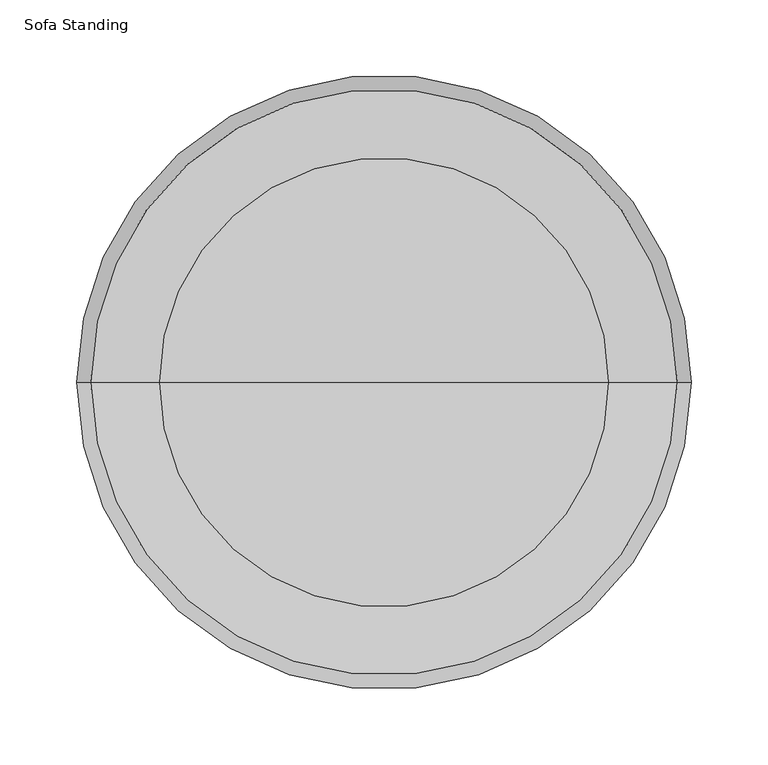
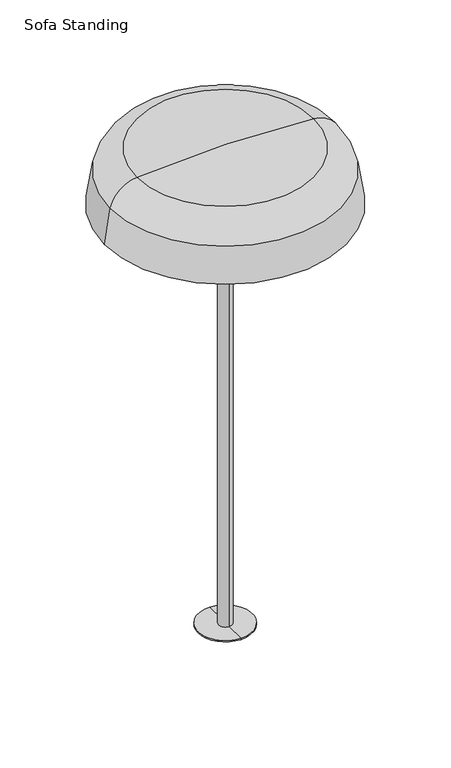
"""IFC4 building model written with IfcOpenShell, lengths in millimetres: light fixture geometry, Sofa Standing."""

from ifc_helpers import new_model, si_unit, point, frame, origin, place, context, project, spatial, polyline, circle_curve, ellipse_curve, trimmed, source, transform, mapped, element, save
from ifc_brep_helpers import plane_surface, cylinder_surface, revolved_surface, advanced_brep


def sofa_standing_c6627a81(model_context):
    return source(origin(), model_context, "Body", "AdvancedBrep", [
        advanced_brep(
        [(199.9486931, 0.0, 949.1970524), (-200.1013069, 0.0, 949.1970524), (-191.022028, 0.0, 1008.9025311), (190.8694141, 0.0, 1008.9025311), (197.3636976, 0.0, 949.1970524), (-197.5163114, 0.0, 949.1970524), (188.3624242, 0.0, 1008.2944283), (-188.515038, 0.0, 1008.2944283), (145.8324053, 0.0, 1044.9529663), (-145.9850191, 0.0, 1044.9529663), (-0.0763069, 0.0, 1051.519392), (146.0641267, 0.0, 1047.5222255), (-146.2167405, 0.0, 1047.5222255), (-0.0763069, 0.0, 1054.0990795)],
        [
            (0, 1, circle_curve(frame((-0.0763069, 0.0, 949.1970524), z_axis=(0.0, 0.0, 1.0), x_axis=(-1.0, 0.0, 0.0)), 200.025)),
            (1, 2, circle_curve(frame((146.4885159, 0.0, 927.0349834), z_axis=(0.0, 1.0, 0.0), x_axis=(1.0, 0.0, 0.0)), 347.2976571)),
            (2, 3, circle_curve(frame((-0.0763069, 0.0, 1008.9025311), z_axis=(0.0, 0.0, -1.0), x_axis=(-1.0, 0.0, 0.0)), 190.945721)),
            (3, 0, circle_curve(frame((-146.6411298, 0.0, 927.0349834), z_axis=(0.0, 1.0, 0.0), x_axis=(-1.0, 0.0, 0.0)), 347.2976571)),
            (1, 0, circle_curve(frame((-0.0763069, 0.0, 949.1970524), z_axis=(0.0, 0.0, 1.0), x_axis=(-1.0, 0.0, 0.0)), 200.025)),
            (3, 2, circle_curve(frame((-0.0763069, 0.0, 1008.9025311), z_axis=(0.0, 0.0, -1.0), x_axis=(-1.0, 0.0, 0.0)), 190.945721)),
            (4, 5, circle_curve(frame((-0.0763069, 0.0, 949.1970524), z_axis=(0.0, 0.0, 1.0), x_axis=(-1.0, 0.0, 0.0)), 197.4400045)),
            (5, 1),
            (0, 4),
            (5, 4, circle_curve(frame((-0.0763069, 0.0, 949.1970524), z_axis=(0.0, 0.0, 1.0), x_axis=(-1.0, 0.0, 0.0)), 197.4400045)),
            (6, 7, circle_curve(frame((-0.0763069, 0.0, 1008.2944283), z_axis=(0.0, 0.0, 1.0), x_axis=(-1.0, 0.0, 0.0)), 188.4387311)),
            (7, 5, circle_curve(frame((146.4885159, 0.0, 927.0349834), z_axis=(0.0, -1.0, 0.0), x_axis=(1.0, 0.0, 0.0)), 344.7179696)),
            (4, 6, circle_curve(frame((-146.6411298, 0.0, 927.0349834), z_axis=(0.0, -1.0, 0.0), x_axis=(-1.0, 0.0, 0.0)), 344.7179696)),
            (7, 6, circle_curve(frame((-0.0763069, 0.0, 1008.2944283), z_axis=(0.0, 0.0, 1.0), x_axis=(-1.0, 0.0, 0.0)), 188.4387311)),
            (8, 9, circle_curve(frame((-0.0763069, 0.0, 1044.9529663), z_axis=(0.0, 0.0, 1.0), x_axis=(-1.0, 0.0, 0.0)), 145.9087122)),
            (9, 7, circle_curve(frame((-141.6536108, 0.0, 996.927583), z_axis=(0.0, -1.0, 0.0), x_axis=(1.0, 0.0, 0.0)), 48.2203125)),
            (6, 8, circle_curve(frame((141.5009969, 0.0, 996.927583), z_axis=(0.0, -1.0, 0.0), x_axis=(-1.0, 0.0, 0.0)), 48.2203125)),
            (9, 8, circle_curve(frame((-0.0763069, 0.0, 1044.9529663), z_axis=(0.0, 0.0, 1.0), x_axis=(-1.0, 0.0, 0.0)), 145.9087122)),
            (10, 9, circle_curve(frame((-0.0763069, 0.0, -572.8399711), z_axis=(0.0, -1.0, 0.0), x_axis=(1.0, 0.0, 0.0)), 1624.3593631)),
            (8, 10, circle_curve(frame((-0.0763069, 0.0, -572.8399711), z_axis=(0.0, -1.0, 0.0), x_axis=(-1.0, 0.0, 0.0)), 1624.3593631)),
            (11, 12, circle_curve(frame((-0.0763069, 0.0, 1047.5222255), z_axis=(0.0, 0.0, 1.0), x_axis=(-1.0, 0.0, 0.0)), 146.1404336)),
            (12, 13, circle_curve(frame((-0.0763069, 0.0, -572.8399711), z_axis=(0.0, 1.0, 0.0), x_axis=(1.0, 0.0, 0.0)), 1626.9390506)),
            (13, 11, circle_curve(frame((-0.0763069, 0.0, -572.8399711), z_axis=(0.0, 1.0, 0.0), x_axis=(-1.0, 0.0, 0.0)), 1626.9390506)),
            (12, 11, circle_curve(frame((-0.0763069, 0.0, 1047.5222255), z_axis=(0.0, 0.0, 1.0), x_axis=(-1.0, 0.0, 0.0)), 146.1404336)),
            (2, 12, circle_curve(frame((-141.6536108, 0.0, 996.927583), z_axis=(0.0, 1.0, 0.0), x_axis=(1.0, 0.0, 0.0)), 50.8)),
            (11, 3, circle_curve(frame((141.5009969, 0.0, 996.927583), z_axis=(0.0, 1.0, 0.0), x_axis=(-1.0, 0.0, 0.0)), 50.8)),
        ],
        [
            revolved_surface(trimmed(ellipse_curve(frame((146.4885159, 0.0, 927.0349834), z_axis=(0.0, -1.0, 0.0), x_axis=(1.0, 0.0, 0.0)), 347.2976571, 347.2976571), [point((-191.022028, 0.0, 1008.9025311))], [point((-200.1013069, 0.0, 949.1970524))], True, "CARTESIAN"), (-0.0763069, 0.0, 1054.0990795), (0.0, 0.0, -1.0)),
            plane_surface(frame((-0.0763069, 0.0, 949.1970524), z_axis=(0.0, 0.0, -1.0), x_axis=(-1.0, 0.0, 0.0))),
            revolved_surface(trimmed(ellipse_curve(frame((146.4885159, 0.0, 927.0349834), z_axis=(0.0, 1.0, 0.0), x_axis=(1.0, 0.0, 0.0)), 344.7179696, 344.7179696), [point((-197.5163114, 0.0, 949.1970524))], [point((-188.515038, 0.0, 1008.2944283))], True, "CARTESIAN"), (-0.0763069, 0.0, 1054.0990795), (0.0, 0.0, -1.0)),
            revolved_surface(trimmed(ellipse_curve(frame((-141.6536108, 0.0, 996.927583), z_axis=(0.0, 1.0, 0.0), x_axis=(1.0, 0.0, 0.0)), 48.2203125, 48.2203125), [point((-188.515038, 0.0, 1008.2944283))], [point((-145.9850191, 0.0, 1044.9529663))], True, "CARTESIAN"), (-0.0763069, 0.0, 1054.0990795), (0.0, 0.0, -1.0)),
            revolved_surface(trimmed(ellipse_curve(frame((-0.0763069, 0.0, -572.8399711), z_axis=(0.0, 1.0, 0.0), x_axis=(1.0, 0.0, 0.0)), 1624.3593631, 1624.3593631), [point((-145.9850191, 0.0, 1044.9529663))], [point((-0.0763069, 0.0, 1051.519392))], True, "CARTESIAN"), (-0.0763069, 0.0, 1054.0990795), (0.0, 0.0, -1.0)),
            revolved_surface(trimmed(ellipse_curve(frame((-0.0763069, 0.0, -572.8399711), z_axis=(0.0, -1.0, 0.0), x_axis=(1.0, 0.0, 0.0)), 1626.9390506, 1626.9390506), [point((-0.0763069, 0.0, 1054.0990795))], [point((-146.2167405, 0.0, 1047.5222255))], True, "CARTESIAN"), (-0.0763069, 0.0, 1054.0990795), (0.0, 0.0, -1.0)),
            revolved_surface(trimmed(ellipse_curve(frame((-141.6536108, 0.0, 996.927583), z_axis=(0.0, -1.0, 0.0), x_axis=(1.0, 0.0, 0.0)), 50.8, 50.8), [point((-146.2167405, 0.0, 1047.5222255))], [point((-191.022028, 0.0, 1008.9025311))], True, "CARTESIAN"), (-0.0763069, 0.0, 1054.0990795), (0.0, 0.0, -1.0)),
        ],
        [
            (0, [[1, 2, 3, 4]]),
            (0, [[5, -4, 6, -2]]),
            (1, [[7, 8, -1, 9]]),
            (1, [[10, -9, -5, -8]]),
            (2, [[11, 12, -7, 13]]),
            (2, [[14, -13, -10, -12]]),
            (3, [[15, 16, -11, 17]]),
            (3, [[18, -17, -14, -16]]),
            (4, [[19, -15, 20]]),
            (4, [[-20, -18, -19]]),
            (5, [[21, 22, 23]]),
            (5, [[24, -23, -22]]),
            (6, [[-3, 25, -21, 26]]),
            (6, [[-6, -26, -24, -25]]),
        ],
    ),
        advanced_brep(
        [(-0.0763069, -196.9875458, 955.3240269), (-0.0763069, 196.9875458, 955.3240269), (-0.0763069, 0.0, 949.1970524), (-0.0763069, -196.7671941, 957.8949868), (-0.0763069, 196.7671941, 957.8949868), (-0.0763069, 0.0, 951.7767399)],
        [
            (0, 1, circle_curve(frame((-0.0763069, 0.0, 955.3240269), z_axis=(0.0, 0.0, -1.0), x_axis=(0.0, 1.0, 0.0)), 196.9875458)),
            (1, 2, circle_curve(frame((-0.0763069, 0.1915666, 4112.7617503), z_axis=(-1.0, 0.0, 0.0), x_axis=(0.0, -1.0, 0.0)), 3163.5647037)),
            (2, 0, circle_curve(frame((-0.0763069, -0.1915666, 4112.7617503), z_axis=(-1.0, 0.0, 0.0), x_axis=(0.0, 1.0, 0.0)), 3163.5647037)),
            (1, 0, circle_curve(frame((-0.0763069, 0.0, 955.3240269), z_axis=(0.0, 0.0, -1.0), x_axis=(0.0, 1.0, 0.0)), 196.9875458)),
            (3, 4, circle_curve(frame((-0.0763069, 0.0, 957.8949868), z_axis=(0.0, 0.0, -1.0), x_axis=(0.0, 1.0, 0.0)), 196.7671941)),
            (4, 1),
            (0, 3),
            (4, 3, circle_curve(frame((-0.0763069, 0.0, 957.8949868), z_axis=(0.0, 0.0, -1.0), x_axis=(0.0, 1.0, 0.0)), 196.7671941)),
            (5, 4, circle_curve(frame((-0.0763069, 0.1915666, 4112.7617503), z_axis=(1.0, 0.0, 0.0), x_axis=(0.0, -1.0, 0.0)), 3160.9850162)),
            (3, 5, circle_curve(frame((-0.0763069, -0.1915666, 4112.7617503), z_axis=(1.0, 0.0, 0.0), x_axis=(0.0, 1.0, 0.0)), 3160.9850162)),
        ],
        [
            revolved_surface(trimmed(ellipse_curve(frame((-0.0763069, 0.1915666, 4112.7617503), z_axis=(1.0, 0.0, 0.0), x_axis=(0.0, -1.0, 0.0)), 3163.5647037, 3163.5647037), [point((-0.0763069, 0.0, 949.1970524))], [point((-0.0763069, 196.9875458, 955.3240269))], True, "CARTESIAN"), (-0.0763069, 0.0, 951.7767399), (0.0, 0.0, 1.0)),
            revolved_surface(polyline([(-0.0763069, 196.9875458, 955.3240269), (-0.0763069, 196.7671941, 957.8949868)]), (-0.0763069, 0.0, 951.7767399), (0.0, 0.0, 1.0)),
            revolved_surface(trimmed(ellipse_curve(frame((-0.0763069, 0.1915666, 4112.7617503), z_axis=(-1.0, 0.0, 0.0), x_axis=(0.0, -1.0, 0.0)), 3160.9850162, 3160.9850162), [point((-0.0763069, 196.7671941, 957.8949868))], [point((-0.0763069, 0.0, 951.7767399))], True, "CARTESIAN"), (-0.0763069, 0.0, 951.7767399), (0.0, 0.0, 1.0)),
        ],
        [
            (0, [[1, 2, 3]]),
            (0, [[4, -3, -2]]),
            (1, [[5, 6, -1, 7]]),
            (1, [[8, -7, -4, -6]]),
            (2, [[9, -5, 10]]),
            (2, [[-10, -8, -9]]),
        ],
    ),
        advanced_brep(
        [(0.0, -44.958, 217.9320019), (0.0, 44.958, 217.9320019), (0.0, 44.958, 215.9), (0.0, -44.958, 215.9), (0.0, -10.922, 944.8790384), (0.0, 10.922, 944.8790384), (0.0, 10.922, 217.9320019), (0.0, -10.922, 217.9320019), (0.0, -26.0350001, 946.4633932), (0.0, 26.0350002, 946.4633932), (0.0, 12.7000006, 944.8790384), (0.0, -12.7000006, 944.8790384), (0.0, -26.0350001, 949.1970524), (0.0, 26.0350002, 949.1970524), (0.0, 0.0, 949.1970524), (0.0, 0.0, 215.9)],
        [
            (0, 1, circle_curve(frame((0.0, 0.0, 217.9320019), z_axis=(0.0, 0.0, -1.0), x_axis=(0.0, 1.0, 0.0)), 44.958)),
            (1, 2),
            (2, 3, circle_curve(frame((0.0, 0.0, 215.9), z_axis=(0.0, 0.0, 1.0), x_axis=(0.0, 1.0, 0.0)), 44.958)),
            (3, 0),
            (1, 0, circle_curve(frame((0.0, 0.0, 217.9320019), z_axis=(0.0, 0.0, -1.0), x_axis=(0.0, 1.0, 0.0)), 44.958)),
            (3, 2, circle_curve(frame((0.0, 0.0, 215.9), z_axis=(0.0, 0.0, 1.0), x_axis=(0.0, 1.0, 0.0)), 44.958)),
            (4, 5, circle_curve(frame((0.0, 0.0, 944.8790384), z_axis=(0.0, 0.0, -1.0), x_axis=(0.0, 1.0, 0.0)), 10.922)),
            (5, 6),
            (6, 7, circle_curve(frame((0.0, 0.0, 217.9320019), z_axis=(0.0, 0.0, 1.0), x_axis=(0.0, 1.0, 0.0)), 10.922)),
            (7, 4),
            (5, 4, circle_curve(frame((0.0, 0.0, 944.8790384), z_axis=(0.0, 0.0, -1.0), x_axis=(0.0, 1.0, 0.0)), 10.922)),
            (7, 6, circle_curve(frame((0.0, 0.0, 217.9320019), z_axis=(0.0, 0.0, 1.0), x_axis=(0.0, 1.0, 0.0)), 10.922)),
            (8, 9, circle_curve(frame((0.0, 0.0, 946.4633932), z_axis=(0.0, 0.0, -1.0), x_axis=(0.0, 1.0, 0.0)), 26.0350002)),
            (9, 10),
            (10, 11, circle_curve(frame((0.0, 0.0, 944.8790384), z_axis=(0.0, 0.0, 1.0), x_axis=(0.0, 1.0, 0.0)), 12.7000006)),
            (11, 8),
            (9, 8, circle_curve(frame((0.0, 0.0, 946.4633932), z_axis=(0.0, 0.0, -1.0), x_axis=(0.0, 1.0, 0.0)), 26.0350002)),
            (11, 10, circle_curve(frame((0.0, 0.0, 944.8790384), z_axis=(0.0, 0.0, 1.0), x_axis=(0.0, 1.0, 0.0)), 12.7000006)),
            (12, 13, circle_curve(frame((0.0, 0.0, 949.1970524), z_axis=(0.0, 0.0, -1.0), x_axis=(0.0, 1.0, 0.0)), 26.0350002)),
            (13, 9),
            (8, 12),
            (13, 12, circle_curve(frame((0.0, 0.0, 949.1970524), z_axis=(0.0, 0.0, -1.0), x_axis=(0.0, 1.0, 0.0)), 26.0350002)),
            (14, 13),
            (12, 14),
            (2, 15),
            (15, 3),
            (10, 5),
            (4, 11),
            (6, 1),
            (0, 7),
        ],
        [
            cylinder_surface(frame((0.0, 0.0, 3.1750001), z_axis=(0.0, 0.0, 1.0), x_axis=(0.0, 1.0, 0.0)), 44.958),
            cylinder_surface(frame((0.0, 0.0, 3.1750001), z_axis=(0.0, 0.0, 1.0), x_axis=(0.0, 1.0, 0.0)), 10.922),
            revolved_surface(polyline([(0.0, 12.7000006, 944.8790384), (0.0, 26.0350002, 946.4633932)]), (0.0, 0.0, 3.1750001), (0.0, 0.0, 1.0)),
            cylinder_surface(frame((0.0, 0.0, 3.1750001), z_axis=(0.0, 0.0, 1.0), x_axis=(0.0, 1.0, 0.0)), 26.0350002),
            plane_surface(frame((0.0, 0.0, 949.1970524), z_axis=(0.0, 0.0, 1.0), x_axis=(0.0, 1.0, 0.0))),
            plane_surface(frame((0.0, 0.0, 215.9), z_axis=(0.0, 0.0, -1.0), x_axis=(0.0, 1.0, 0.0))),
            plane_surface(frame((0.0, 0.0, 944.8790384), z_axis=(0.0, 0.0, -1.0), x_axis=(0.0, 1.0, 0.0))),
            plane_surface(frame((0.0, 0.0, 217.9320019), z_axis=(0.0, 0.0, 1.0), x_axis=(0.0, 1.0, 0.0))),
        ],
        [
            (0, [[1, 2, 3, 4]]),
            (0, [[5, -4, 6, -2]]),
            (1, [[7, 8, 9, 10]]),
            (1, [[11, -10, 12, -8]]),
            (2, [[13, 14, 15, 16]]),
            (2, [[17, -16, 18, -14]]),
            (3, [[19, 20, -13, 21]]),
            (3, [[22, -21, -17, -20]]),
            (4, [[23, -19, 24]]),
            (4, [[-24, -22, -23]]),
            (5, [[-3, 25, 26]]),
            (5, [[-6, -26, -25]]),
            (6, [[-15, 27, -7, 28]]),
            (6, [[-18, -28, -11, -27]]),
            (7, [[-9, 29, -1, 30]]),
            (7, [[-12, -30, -5, -29]]),
        ],
    ),
    ])


if __name__ == "__main__":
    model = new_model("IFC4")
    model_context = context("Model", 3, world=origin())
    ifc_project = project(units=[si_unit("LENGTHUNIT", "METRE", prefix="MILLI")], contexts=[model_context])
    site = spatial("IfcSite", under=ifc_project)
    building = spatial("IfcBuilding", under=site)
    placement = place(None, origin())
    sofa_standing_shape = sofa_standing_c6627a81(model_context)
    element("IfcLightFixture", 1, ObjectType="Sofa Standing", at=placement, inside=building, context=model_context, shape_type="MappedRepresentation", body=[
        mapped(sofa_standing_shape, transform((0.0, 0.0, 0.0), x_axis=(1.0, 0.0, 0.0), y_axis=(0.0, 1.0, 0.0), z_axis=(0.0, 0.0, 1.0))),
    ])
    save(model, "model.ifc")
